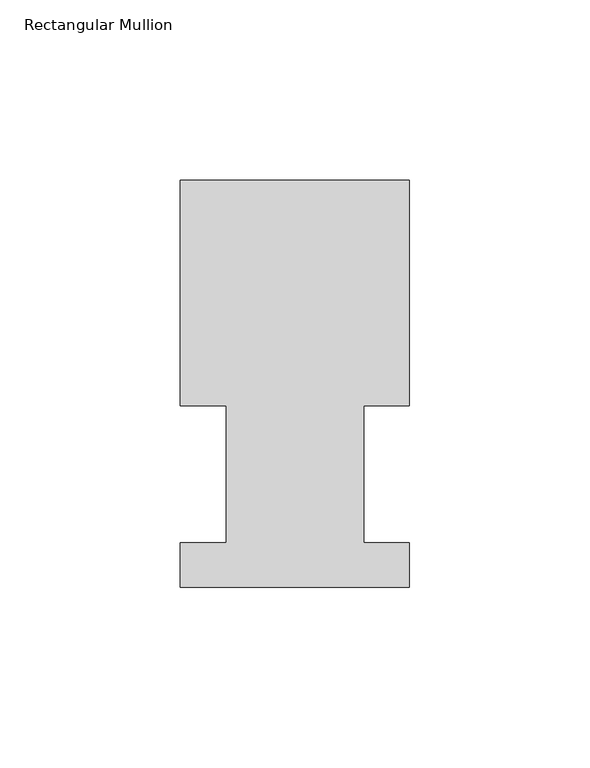
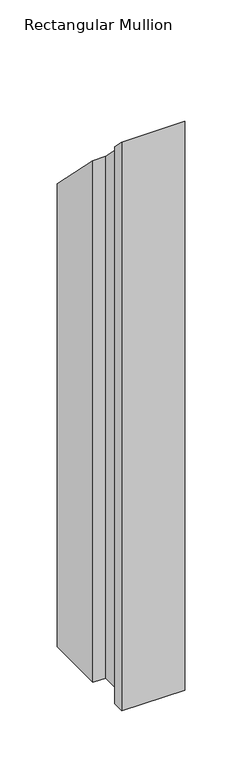
"""IFC4 building model written with IfcOpenShell, lengths in millimetres: member geometry, Rectangular Mullion."""

from ifc_helpers import new_model, si_unit, origin, place, context, project, spatial, faceted_brep, source, transform, mapped, element, save


def rectangular_mullion_ba0d79e3(model_context):
    return source(origin(), model_context, "Body", "Brep", [
        faceted_brep([(-63.5368106, 52.5859375, -609.56825), (-63.5368106, 115.0699375, -609.56825), (0.0, 115.0699375, -609.56825), (0.0, 52.5859375, -609.56825), (-12.602764, 52.5859375, -609.56825), (-12.602764, 14.4858895, -609.56825), (0.0, 14.4858895, -609.56825), (0.0, 2.1909696, -609.56825), (-63.5, 2.1909696, -609.56825), (-63.5, 14.4859413, -609.56825), (-50.7405803, 14.4859413, -609.56825), (-50.7405803, 52.5859375, -609.56825), (-50.7405803, 52.5859375, -52.5859375), (-63.5368106, 52.5859375, -52.5859375), (-50.7405803, 14.4859413, -14.4859413), (-63.5, 14.4859413, -14.4859413), (-63.5, 2.1909696, -2.1909696), (0.0, 2.1909696, -2.1909696), (0.0, 14.4858895, -14.4858895), (-12.602764, 14.4858895, -14.4858895), (-12.602764, 52.5859375, -52.5859375), (0.0, 52.5859375, -52.5859375), (0.0, 115.0699375, -115.0699375), (-63.5368106, 115.0699375, -115.0699375)], [[[0, 1, 2, 3, 4, 5, 6, 7, 8, 9, 10, 11]], [[12, 13, 0, 11]], [[14, 12, 11, 10]], [[15, 14, 10, 9]], [[16, 15, 9, 8]], [[17, 16, 8, 7]], [[18, 17, 7, 6]], [[19, 18, 6, 5]], [[20, 19, 5, 4]], [[21, 20, 4, 3]], [[22, 21, 3, 2]], [[23, 22, 2, 1]], [[13, 23, 1, 0]], [[13, 12, 14, 15, 16, 17, 18, 19, 20, 21, 22, 23]]]),
    ])


if __name__ == "__main__":
    model = new_model("IFC4")
    model_context = context("Model", 3, world=origin())
    ifc_project = project(units=[si_unit("LENGTHUNIT", "METRE", prefix="MILLI")], contexts=[model_context])
    site = spatial("IfcSite", under=ifc_project)
    building = spatial("IfcBuilding", under=site)
    placement = place(None, origin())
    rectangular_mullion_shape = rectangular_mullion_ba0d79e3(model_context)
    element("IfcMember", 1, ObjectType="Rectangular Mullion", at=placement, inside=building, context=model_context, shape_type="MappedRepresentation", body=[
        mapped(rectangular_mullion_shape, transform((0.0, 0.0, 0.0), x_axis=(1.0, 0.0, 0.0), y_axis=(0.0, 1.0, 0.0), z_axis=(0.0, 0.0, 1.0))),
    ])
    save(model, "model.ifc")
